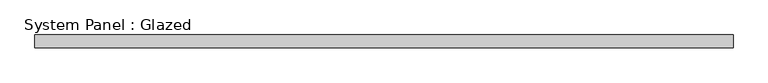
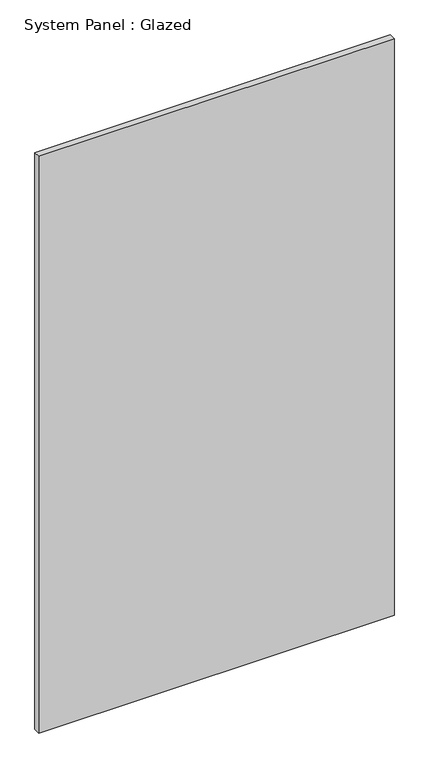
"""IFC4 building model written with IfcOpenShell, lengths in millimetres: plate geometry, System Panel : Glazed."""

from ifc_helpers import new_model, si_unit, origin, origin_with_axes, place, context, project, spatial, polyline, outline, extrude, source, transform, mapped, element, save


def system_panel_glazed_0cd95e6b(model_context):
    return source(origin(), model_context, "Body", "SweptSolid", [
        extrude(outline(polyline([(677.5, -49.5), (-677.5, -49.5), (-677.5, -24.5), (677.5, -24.5), (677.5, -49.5)])), origin_with_axes(), (0.0, 0.0, 1.0), 2325.0),
    ])


if __name__ == "__main__":
    model = new_model("IFC4")
    model_context = context("Model", 3, world=origin())
    ifc_project = project(units=[si_unit("LENGTHUNIT", "METRE", prefix="MILLI")], contexts=[model_context])
    site = spatial("IfcSite", under=ifc_project)
    building = spatial("IfcBuilding", under=site)
    placement = place(None, origin())
    system_panel_glazed_shape = system_panel_glazed_0cd95e6b(model_context)
    element("IfcPlate", 1, ObjectType="System Panel : Glazed", at=placement, inside=building, context=model_context, shape_type="MappedRepresentation", body=[
        mapped(system_panel_glazed_shape, transform((0.0, 0.0, 0.0), x_axis=(1.0, 0.0, 0.0), y_axis=(0.0, 1.0, 0.0), z_axis=(0.0, 0.0, 1.0))),
    ])
    save(model, "model.ifc")
